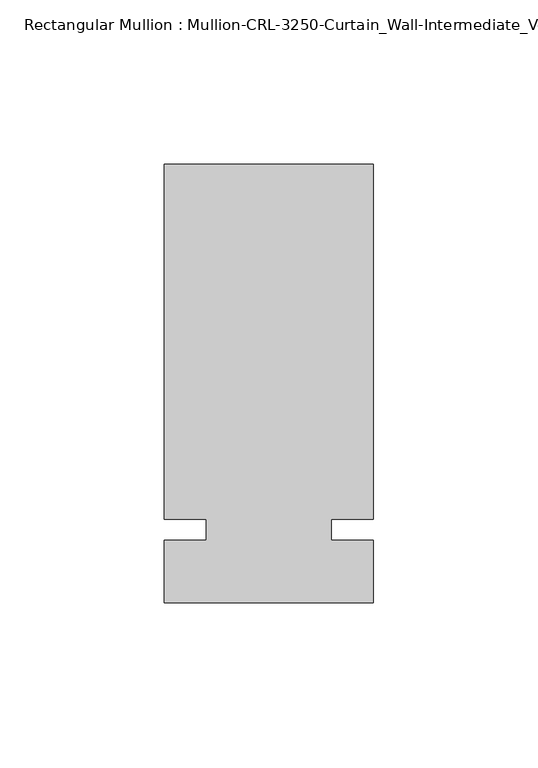
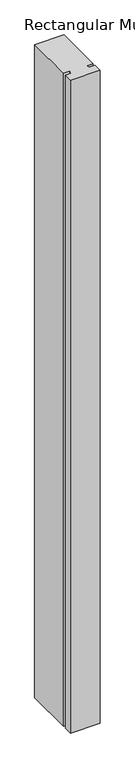
"""IFC4 building model written with IfcOpenShell, lengths in millimetres: member geometry."""

from ifc_helpers import new_model, si_unit, frame, origin, place, context, project, spatial, polyline, outline, extrude, source, transform, mapped, element, save


def member_64f9d4b4(model_context):
    return source(origin(), model_context, "Body", "SweptSolid", [
        extrude(outline(polyline([(31.7499985, -3.175), (31.7499985, -22.2254168), (-31.7499985, -22.2254168), (-31.7499985, -3.175), (-19.0499985, -3.175), (-19.0499985, 3.175), (-31.7499985, 3.175), (-31.7499985, 111.1245832), (31.7499985, 111.1245832), (31.7499985, 3.175), (19.0499985, 3.175), (19.0499985, -3.175), (31.7499985, -3.175)])), frame((0.0, 0.0, -1485.9), z_axis=(0.0, 0.0, 1.0), x_axis=(1.0, 0.0, 0.0)), (0.0, 0.0, 1.0), 1485.9),
    ])


if __name__ == "__main__":
    model = new_model("IFC4")
    model_context = context("Model", 3, world=origin())
    ifc_project = project(units=[si_unit("LENGTHUNIT", "METRE", prefix="MILLI")], contexts=[model_context])
    site = spatial("IfcSite", under=ifc_project)
    building = spatial("IfcBuilding", under=site)
    placement = place(None, origin())
    member_shape = member_64f9d4b4(model_context)
    element("IfcMember", 1, ObjectType="Rectangular Mullion : Mullion-CRL-3250-Curtain_Wall-Intermediate_Vertical-4\"", at=placement, inside=building, context=model_context, shape_type="MappedRepresentation", body=[
        mapped(member_shape, transform((0.0, 0.0, 0.0), x_axis=(1.0, 0.0, 0.0), y_axis=(0.0, 1.0, 0.0), z_axis=(0.0, 0.0, 1.0))),
    ])
    save(model, "model.ifc")
